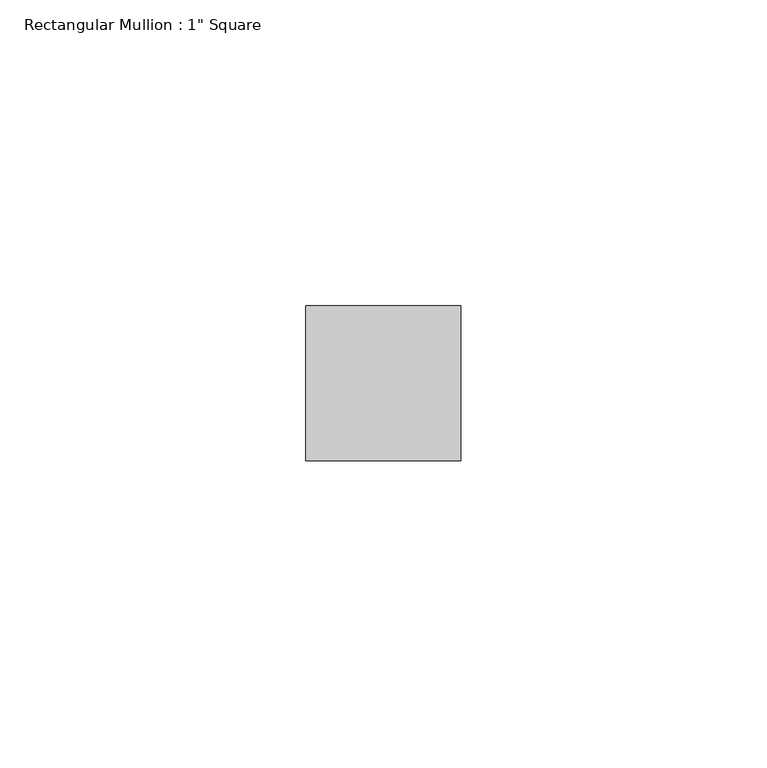
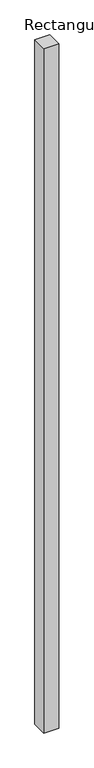
"""IFC4 building model written with IfcOpenShell, lengths in millimetres: member geometry."""

from ifc_helpers import new_model, si_unit, frame, origin, place, context, project, spatial, polyline, outline, extrude, source, transform, mapped, element, save


def member_f4845628(model_context):
    return source(origin(), model_context, "Body", "SweptSolid", [
        extrude(outline(polyline([(12.7, 12.7), (12.7, -12.7), (-12.7, -12.7), (-12.7, 12.7), (12.7, 12.7)])), frame((0.0, 0.0, -1219.2), z_axis=(0.0, 0.0, 1.0), x_axis=(1.0, 0.0, 0.0)), (0.0, 0.0, 1.0), 1219.2),
    ])


if __name__ == "__main__":
    model = new_model("IFC4")
    model_context = context("Model", 3, world=origin())
    ifc_project = project(units=[si_unit("LENGTHUNIT", "METRE", prefix="MILLI")], contexts=[model_context])
    site = spatial("IfcSite", under=ifc_project)
    building = spatial("IfcBuilding", under=site)
    placement = place(None, origin())
    member_shape = member_f4845628(model_context)
    element("IfcMember", 1, ObjectType="Rectangular Mullion : 1\" Square", at=placement, inside=building, context=model_context, shape_type="MappedRepresentation", body=[
        mapped(member_shape, transform((0.0, 0.0, 0.0), x_axis=(1.0, 0.0, 0.0), y_axis=(0.0, 1.0, 0.0), z_axis=(0.0, 0.0, 1.0))),
    ])
    save(model, "model.ifc")
